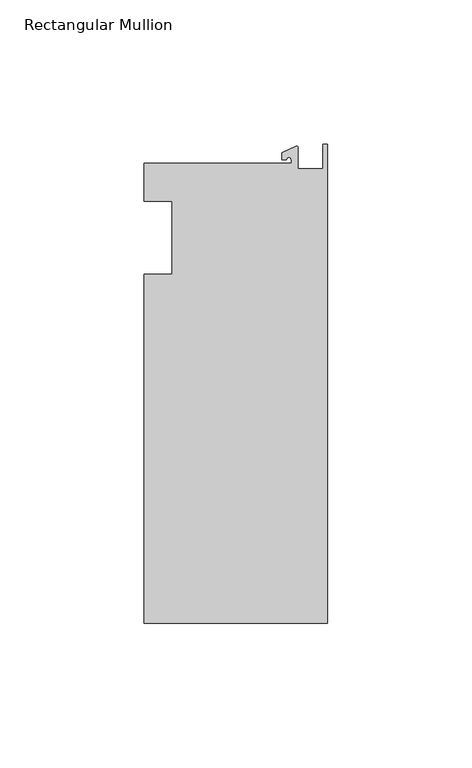
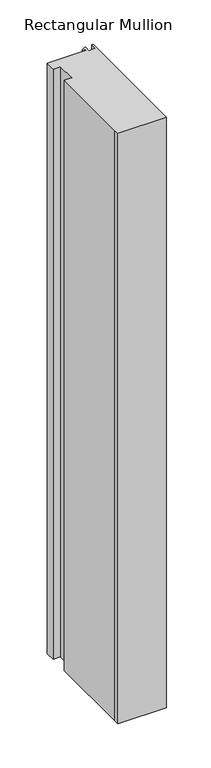
"""IFC4 building model written with IfcOpenShell, lengths in millimetres: member geometry, Rectangular Mullion."""

from ifc_helpers import new_model, si_unit, point, frame, frame_2d, origin, place, context, project, spatial, polyline, circle_curve, trimmed, segment, composite_curve, outline, extrude, source, transform, mapped, element, save


def rectangular_mullion_a2fc6405(model_context):
    return source(origin(), model_context, "Body", "SweptSolid", [
        extrude(outline(composite_curve([segment(polyline([(-12.6173814, 25.796875), (-12.6173814, 27.0827507)]), True, "CONTINUOUS"), segment(trimmed(circle_curve(frame_2d((-13.4111314, 27.0827507)), 0.79375), [point((-12.6173814, 27.0827507))], [point((-14.2048814, 27.0827507))], True, "CARTESIAN"), True, "CONTINUOUS"), segment(polyline([(-14.2048814, 27.0827507), (-15.7923814, 27.0827507), (-15.7923814, 29.44495), (-10.9524715, 31.7018371)]), True, "CONTINUOUS"), segment(trimmed(circle_curve(frame_2d((-10.7377814, 31.2414327)), 0.508), [point((-10.9524715, 31.7018371))], [point((-10.2297814, 31.2414327))], False, "CARTESIAN"), True, "CONTINUOUS"), segment(polyline([(-10.2297814, 31.2414327), (-10.2297814, 23.9227662), (-1.7144124, 23.9227662), (-1.5658966, 32.288874), (0.0, 32.288874), (0.0, -133.34365), (-63.5, -133.34365), (-63.5, -125.8114907), (-63.5, -12.7), (-53.975, -12.7), (-53.975, 12.7), (-63.5, 12.7), (-63.5, 25.796875), (-12.6173814, 25.796875)]), True, "CONTINUOUS")], self_intersect=False)), frame((0.0, 0.0, -812.8), z_axis=(0.0, 0.0, 1.0), x_axis=(1.0, 0.0, 0.0)), (0.0, 0.0, 1.0), 812.8),
    ])


if __name__ == "__main__":
    model = new_model("IFC4")
    model_context = context("Model", 3, world=origin())
    ifc_project = project(units=[si_unit("LENGTHUNIT", "METRE", prefix="MILLI")], contexts=[model_context])
    site = spatial("IfcSite", under=ifc_project)
    building = spatial("IfcBuilding", under=site)
    placement = place(None, origin())
    rectangular_mullion_shape = rectangular_mullion_a2fc6405(model_context)
    element("IfcMember", 1, ObjectType="Rectangular Mullion", at=placement, inside=building, context=model_context, shape_type="MappedRepresentation", body=[
        mapped(rectangular_mullion_shape, transform((0.0, 0.0, 0.0), x_axis=(1.0, 0.0, 0.0), y_axis=(0.0, 1.0, 0.0), z_axis=(0.0, 0.0, 1.0))),
    ])
    save(model, "model.ifc")
